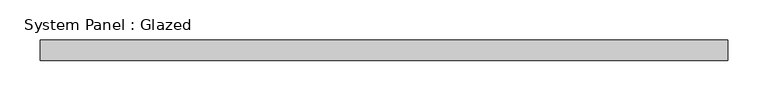
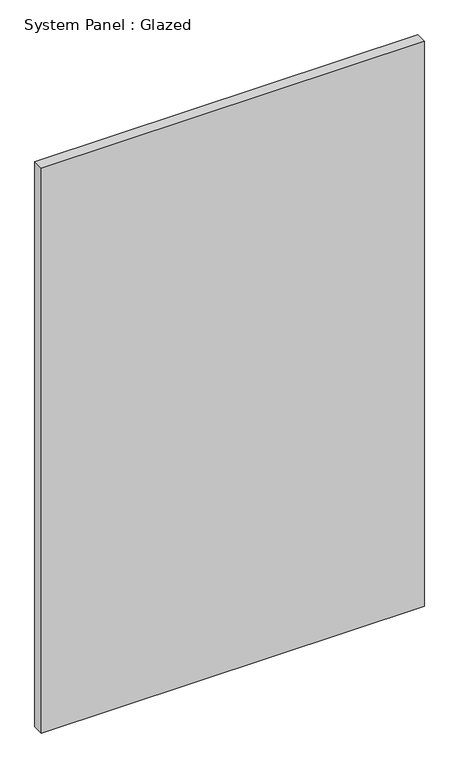
"""IFC4 building model written with IfcOpenShell, lengths in millimetres: plate geometry, System Panel : Glazed."""

from ifc_helpers import new_model, si_unit, origin, origin_with_axes, place, context, project, spatial, polyline, outline, extrude, source, transform, mapped, element, save


def system_panel_glazed_e893ff38(model_context):
    return source(origin(), model_context, "Body", "SweptSolid", [
        extrude(outline(polyline([(425.0, -49.5), (-425.0, -49.5), (-425.0, -24.5), (425.0, -24.5), (425.0, -49.5)])), origin_with_axes(), (0.0, 0.0, 1.0), 1325.0),
    ])


if __name__ == "__main__":
    model = new_model("IFC4")
    model_context = context("Model", 3, world=origin())
    ifc_project = project(units=[si_unit("LENGTHUNIT", "METRE", prefix="MILLI")], contexts=[model_context])
    site = spatial("IfcSite", under=ifc_project)
    building = spatial("IfcBuilding", under=site)
    placement = place(None, origin())
    system_panel_glazed_shape = system_panel_glazed_e893ff38(model_context)
    element("IfcPlate", 1, ObjectType="System Panel : Glazed", at=placement, inside=building, context=model_context, shape_type="MappedRepresentation", body=[
        mapped(system_panel_glazed_shape, transform((0.0, 0.0, 0.0), x_axis=(1.0, 0.0, 0.0), y_axis=(0.0, 1.0, 0.0), z_axis=(0.0, 0.0, 1.0))),
    ])
    save(model, "model.ifc")
